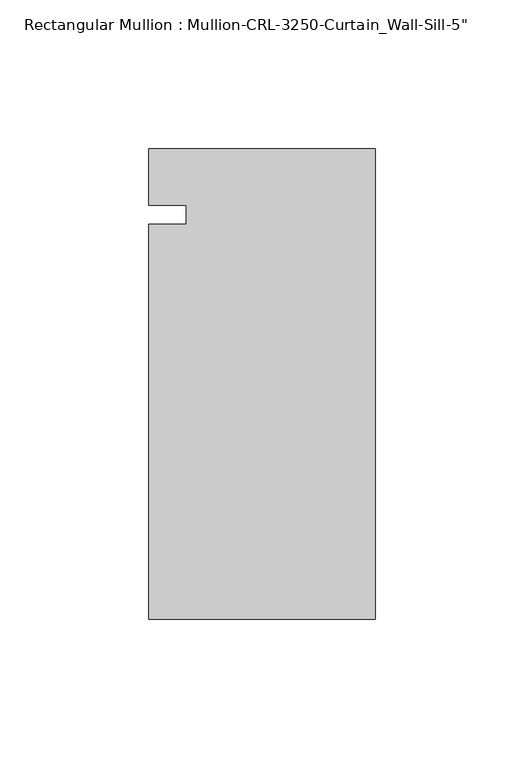
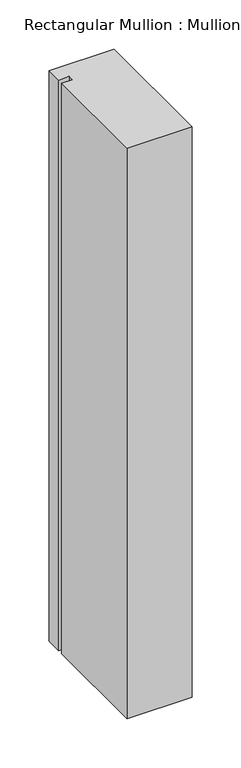
"""IFC4 building model written with IfcOpenShell, lengths in millimetres: member geometry."""

from ifc_helpers import new_model, si_unit, frame, origin, place, context, project, spatial, polyline, outline, extrude, source, transform, mapped, element, save


def member_bf3176da(model_context):
    return source(origin(), model_context, "Body", "SweptSolid", [
        extrude(outline(polyline([(-76.199997, 3.175), (-76.199997, 22.2254168), (0.0, 22.2254168), (0.0, -136.0175661), (-76.199997, -136.0175661), (-76.199997, -3.175), (-63.499997, -3.175), (-63.499997, 3.175), (-76.199997, 3.175)])), frame((0.0, 0.0, -707.5194653), z_axis=(0.0, 0.0, 1.0), x_axis=(1.0, 0.0, 0.0)), (0.0, 0.0, 1.0), 707.5194653),
    ])


if __name__ == "__main__":
    model = new_model("IFC4")
    model_context = context("Model", 3, world=origin())
    ifc_project = project(units=[si_unit("LENGTHUNIT", "METRE", prefix="MILLI")], contexts=[model_context])
    site = spatial("IfcSite", under=ifc_project)
    building = spatial("IfcBuilding", under=site)
    placement = place(None, origin())
    member_shape = member_bf3176da(model_context)
    element("IfcMember", 1, ObjectType="Rectangular Mullion : Mullion-CRL-3250-Curtain_Wall-Sill-5\"", at=placement, inside=building, context=model_context, shape_type="MappedRepresentation", body=[
        mapped(member_shape, transform((0.0, 0.0, 0.0), x_axis=(1.0, 0.0, 0.0), y_axis=(0.0, 1.0, 0.0), z_axis=(0.0, 0.0, 1.0))),
    ])
    save(model, "model.ifc")
